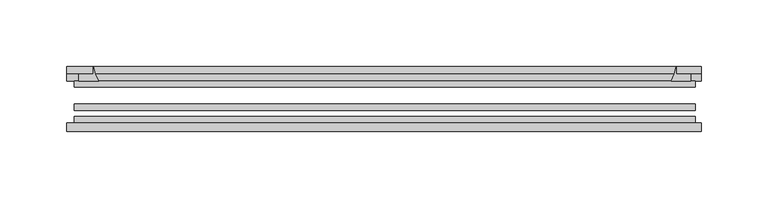
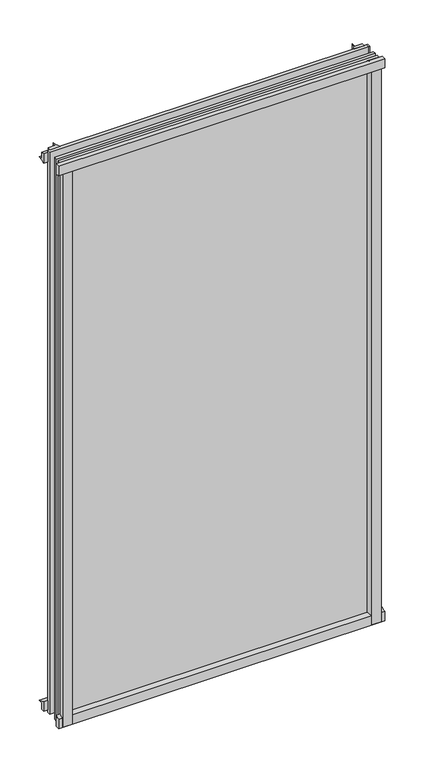
"""IFC4 building model written with IfcOpenShell, lengths in millimetres: plate geometry."""

import ifcopenshell
import ifcopenshell.guid

model = None  # the IFC model being written
_history = None  # IfcOwnerHistory: only IFC2X3 demands one
_inside = {}  # id of a spatial element -> (the spatial element, [elements in it])
_under = {}  # id of a project, library or spatial element -> (it, [spatial elements below it])
_declared = {}  # id of a project -> (the project, [libraries it declares])
_typed = {}  # id of a type object -> (the type object, [elements of that type])
_made_of = {}  # id of a material, layer set ... -> (it, [elements and type objects made of it])


def new_model(schema):
    """Start an empty IFC model of exactly this schema.

    Asked for "IFC4X3", IfcOpenShell would pick the latest addendum, in which some entities
    have other attributes; the version numbers below select the first issue.
    IFC2X3 requires an IfcOwnerHistory on every rooted entity: one is made here for all.
    """
    global model, _history
    if schema == "IFC4X3":
        model = ifcopenshell.file(schema_version=(4, 3, 0, 0))
    else:
        model = ifcopenshell.file(schema=schema)
    _inside.clear()
    _under.clear()
    _declared.clear()
    _typed.clear()
    _made_of.clear()
    _history = None
    if model.schema == "IFC2X3":
        org = make("IfcOrganization", Name="unknown")
        user = make(
            "IfcPersonAndOrganization",
            ThePerson=make("IfcPerson", FamilyName="unknown"),
            TheOrganization=org,
        )
        app = make(
            "IfcApplication",
            ApplicationDeveloper=org,
            Version="unknown",
            ApplicationFullName="unknown",
            ApplicationIdentifier="unknown",
        )
        _history = make(
            "IfcOwnerHistory",
            OwningUser=user,
            OwningApplication=app,
            ChangeAction="ADDED",
            CreationDate=0,
        )
    return model


def make(cls, **values):
    """One entity of the class cls with the attributes given. An attribute that is None is left unset."""
    return model.create_entity(
        cls, **{name: value for name, value in values.items() if value is not None}
    )


def rooted(cls, **values):
    """An entity with a GlobalId (a new one), such as an element, a storey or a relation."""
    return make(cls, GlobalId=ifcopenshell.guid.new(), OwnerHistory=_history, **values)


def si_unit(unit_type, name, prefix=None):
    """IfcSIUnit, for example si_unit("LENGTHUNIT", "METRE", prefix="MILLI")."""
    return make("IfcSIUnit", UnitType=unit_type, Prefix=prefix, Name=name)


def assignment(units):
    """IfcUnitAssignment: the units of a project."""
    return None if units is None else make("IfcUnitAssignment", Units=units)


def point(xyz):
    """IfcCartesianPoint."""
    return None if xyz is None else make("IfcCartesianPoint", Coordinates=xyz)


def direction(xyz):
    """IfcDirection."""
    return None if xyz is None else make("IfcDirection", DirectionRatios=xyz)


def frame(location, z_axis=None, x_axis=None):
    """IfcAxis2Placement3D, a coordinate frame: its origin and axes. An axis left out is left unset."""
    return make(
        "IfcAxis2Placement3D",
        Location=point(location),
        Axis=direction(z_axis),
        RefDirection=direction(x_axis),
    )


def frame_2d(location, x_axis=None):
    """IfcAxis2Placement2D, a coordinate frame in the plane: its origin and x axis."""
    return make(
        "IfcAxis2Placement2D", Location=point(location), RefDirection=direction(x_axis)
    )


def origin():
    """The frame at (0, 0, 0) with its axes left unset."""
    return frame((0.0, 0.0, 0.0))


def place(relative_to, where):
    """IfcLocalPlacement: puts the frame where relative to a parent placement (None: the world)."""
    return make(
        "IfcLocalPlacement", PlacementRelTo=relative_to, RelativePlacement=where
    )


def context(
    kind, dimensions, precision=None, world=None, true_north=None, identifier=None
):
    """IfcGeometricRepresentationContext, for example the 3D "Model" context."""
    return make(
        "IfcGeometricRepresentationContext",
        ContextIdentifier=identifier,
        ContextType=kind,
        CoordinateSpaceDimension=dimensions,
        Precision=precision,
        WorldCoordinateSystem=world,
        TrueNorth=true_north,
    )


def project(units=None, contexts=None):
    """IfcProject with its units and contexts."""
    return rooted(
        "IfcProject",
        Name="project",
        RepresentationContexts=contexts,
        UnitsInContext=assignment(units),
    )


def spatial(cls, under=None, at=None, **own):
    """A site, building, storey or space (cls), placed at a placement, below another one or the project."""
    s = rooted(cls, ObjectPlacement=at, **own)
    if under is not None:
        _under.setdefault(under.id(), (under, []))[1].append(s)
    return s


def polyline(points):
    """IfcPolyline through the points."""
    return make("IfcPolyline", Points=[point(p) for p in points])


def circle_curve(where, radius):
    """IfcCircle in the frame where."""
    return make("IfcCircle", Position=where, Radius=radius)


def trimmed(basis, trim1, trim2, sense, master):
    """IfcTrimmedCurve: the piece of a basis curve between two trims."""
    return make(
        "IfcTrimmedCurve",
        BasisCurve=basis,
        Trim1=trim1,
        Trim2=trim2,
        SenseAgreement=sense,
        MasterRepresentation=master,
    )


def segment(curve, same_sense, transition):
    """IfcCompositeCurveSegment."""
    return make(
        "IfcCompositeCurveSegment",
        Transition=transition,
        SameSense=same_sense,
        ParentCurve=curve,
    )


def composite_curve(segments, self_intersect=None):
    """IfcCompositeCurve: segments joined end to end."""
    return make("IfcCompositeCurve", Segments=segments, SelfIntersect=self_intersect)


def outline(outer, holes=None, kind="AREA"):
    """IfcArbitraryClosedProfileDef: a profile drawn as a closed curve; with holes, ...WithVoids."""
    if holes is None:
        return make("IfcArbitraryClosedProfileDef", ProfileType=kind, OuterCurve=outer)
    return make(
        "IfcArbitraryProfileDefWithVoids",
        ProfileType=kind,
        OuterCurve=outer,
        InnerCurves=holes,
    )


def extrude(swept, where, along, depth):
    """IfcExtrudedAreaSolid: the profile swept, set in the frame where, extruded along a direction by depth."""
    return make(
        "IfcExtrudedAreaSolid",
        SweptArea=swept,
        Position=where,
        ExtrudedDirection=direction(along),
        Depth=depth,
    )


def shape(context_of_items, identifier, shape_type, items):
    """IfcShapeRepresentation: the items that make up one representation, for example the "Body"."""
    return make(
        "IfcShapeRepresentation",
        ContextOfItems=context_of_items,
        RepresentationIdentifier=identifier,
        RepresentationType=shape_type,
        Items=items,
    )


def source(mapping_origin, context_of_items, identifier, shape_type, items):
    """IfcRepresentationMap: a shape defined once, which mapped items show again and again."""
    return make(
        "IfcRepresentationMap",
        MappingOrigin=mapping_origin,
        MappedRepresentation=shape(context_of_items, identifier, shape_type, items),
    )


def transform(
    local_origin,
    x_axis=None,
    y_axis=None,
    z_axis=None,
    scale=None,
    scale2=None,
    scale3=None,
    uniform=True,
):
    """IfcCartesianTransformationOperator3D, or its non-uniform kind. x_axis, y_axis, z_axis: its Axis1, 2, 3."""
    if uniform:
        return make(
            "IfcCartesianTransformationOperator3D",
            Axis1=direction(x_axis),
            Axis2=direction(y_axis),
            LocalOrigin=point(local_origin),
            Scale=scale,
            Axis3=direction(z_axis),
        )
    return make(
        "IfcCartesianTransformationOperator3DnonUniform",
        Axis1=direction(x_axis),
        Axis2=direction(y_axis),
        LocalOrigin=point(local_origin),
        Scale=scale,
        Axis3=direction(z_axis),
        Scale2=scale2,
        Scale3=scale3,
    )


def mapped(mapping_source, mapping_target):
    """IfcMappedItem: shows the shape of a source again, moved by a transform."""
    return make(
        "IfcMappedItem", MappingSource=mapping_source, MappingTarget=mapping_target
    )


def made_of(thing, what):
    """Note that an element or type object is made of a material, layer set ...; save() writes the relation."""
    if what is not None:
        _made_of.setdefault(what.id(), (what, []))[1].append(thing)
    return thing


def element(
    cls,
    number,
    at=None,
    inside=None,
    cuts=None,
    type_object=None,
    material=None,
    context=None,
    identifier="Body",
    shape_type=None,
    held_by="IfcProductDefinitionShape",
    body=None,
    shapes=None,
    **own,
):
    """One element of the class cls, such as IfcWall. Its Tag is "e" and its number.

    at: its placement. inside: the storey or other place that contains it. cuts: it is an
    opening in that element (IfcRelVoidsElement). A single representation is given by context,
    identifier, shape_type and body (its items); several are given by shapes. held_by: the class
    of the entity that holds the representations. save() writes the other relations.
    """
    e = rooted(cls, Tag="e%d" % number, ObjectPlacement=at, **own)
    if body is not None:
        shapes = [shape(context, identifier, shape_type, body)]
    if shapes is not None:
        e.Representation = make(held_by, Representations=shapes)
    if inside is not None:
        _inside.setdefault(inside.id(), (inside, []))[1].append(e)
    if cuts is not None:
        rooted(
            "IfcRelVoidsElement", RelatingBuildingElement=cuts, RelatedOpeningElement=e
        )
    if type_object is not None:
        _typed.setdefault(type_object.id(), (type_object, []))[1].append(e)
    return made_of(e, material)


def aggregate(whole, parts):
    """IfcRelAggregates: a whole, such as a stair, and the parts it consists of."""
    return rooted("IfcRelAggregates", RelatingObject=whole, RelatedObjects=parts)


def save(model, path):
    """Write the relations noted so far, then the file.

    IfcRelAggregates (storeys below a building ...), IfcRelContainedInSpatialStructure (elements
    in a storey), IfcRelDefinesByType, IfcRelAssociatesMaterial and IfcRelDeclares: one each for
    every whole, place, type object, material and project.
    """
    for whole, parts in _under.values():
        aggregate(whole, parts)
    for where, things in _inside.values():
        rooted(
            "IfcRelContainedInSpatialStructure",
            RelatedElements=things,
            RelatingStructure=where,
        )
    for kind, things in _typed.values():
        rooted("IfcRelDefinesByType", RelatedObjects=things, RelatingType=kind)
    for what, things in _made_of.values():
        rooted("IfcRelAssociatesMaterial", RelatedObjects=things, RelatingMaterial=what)
    for by, libraries in _declared.values():
        rooted("IfcRelDeclares", RelatingContext=by, RelatedDefinitions=libraries)
    model.write(path)


def plate_b2300313(model_context):
    return source(origin(), model_context, "Body", "SweptSolid", [
        extrude(outline(composite_curve([segment(polyline([(-85.1328625, 855.6813002), (-78.7828625, 855.6813002), (-78.7828625, 839.4311909)]), True, "CONTINUOUS"), segment(trimmed(circle_curve(frame_2d((-85.0581856, 830.3814356)), 11.0126179), [point((-78.7828625, 839.4311909))], [point((-85.1328625, 841.3938002))], True, "CARTESIAN"), True, "CONTINUOUS"), segment(polyline([(-85.1328625, 841.3938002), (-85.1328625, 855.6813002)]), True, "CONTINUOUS")], self_intersect=False)), frame((-239.1171875, 0.0, 0.0), z_axis=(1.0, 0.0, 0.0), x_axis=(0.0, 1.0, 0.0)), (0.0, 0.0, 1.0), 477.04375),
        extrude(outline(composite_curve([segment(polyline([(-233.3625, -78.7828625), (-216.5012844, -78.7828625)]), True, "CONTINUOUS"), segment(trimmed(circle_curve(frame_2d((-205.9388809, -86.7604812)), 13.2365693), [point((-216.5012844, -78.7828625))], [point((-219.075, -85.1328625))], True, "CARTESIAN"), True, "CONTINUOUS"), segment(polyline([(-219.075, -85.1328625), (-233.3625, -85.1328625), (-233.3625, -78.7828625)]), True, "CONTINUOUS")], self_intersect=False)), frame((0.0, 0.0, -14.2875), z_axis=(0.0, 0.0, 1.0), x_axis=(1.0, 0.0, 0.0)), (0.0, 0.0, 1.0), 869.95),
        extrude(outline(composite_curve([segment(polyline([(233.3625, -78.7828625), (233.3625, -85.1328625), (219.075, -85.1328625)]), True, "CONTINUOUS"), segment(trimmed(circle_curve(frame_2d((205.9388809, -86.7604812)), 13.2365693), [point((219.075, -85.1328625))], [point((216.5012844, -78.7828625))], True, "CARTESIAN"), True, "CONTINUOUS"), segment(polyline([(216.5012844, -78.7828625), (233.3625, -78.7828625)]), True, "CONTINUOUS")], self_intersect=False)), frame((0.0, 0.0, -14.2875), z_axis=(0.0, 0.0, 1.0), x_axis=(1.0, 0.0, 0.0)), (0.0, 0.0, 1.0), 869.95),
        extrude(outline(composite_curve([segment(polyline([(-47.1852625, -10.4712201), (-47.1852625, 3.9588469)]), True, "CONTINUOUS"), segment(trimmed(circle_curve(frame_2d((-30.6824422, 32.267054)), 32.7673262), [point((-47.1852625, 3.9588469))], [point((-36.3503395, -0.00635))], True, "CARTESIAN"), True, "CONTINUOUS"), segment(polyline([(-36.3503395, -0.00635), (-42.2830625, -0.00635), (-42.2830625, -10.4712201), (-47.1852625, -10.4712201)]), True, "CONTINUOUS")], self_intersect=False)), frame((-239.1171875, 0.0, 0.0), z_axis=(1.0, 0.0, 0.0), x_axis=(0.0, 1.0, 0.0)), (0.0, 0.0, 1.0), 477.04375),
        extrude(outline(composite_curve([segment(polyline([(-78.7828625, -14.2875), (-85.1328625, -14.2875), (-85.1328625, -0.0127)]), True, "CONTINUOUS"), segment(trimmed(circle_curve(frame_2d((-86.7604812, 13.1234191)), 13.2365693), [point((-85.1328625, -0.0127))], [point((-78.7828625, 2.5610156))], True, "CARTESIAN"), True, "CONTINUOUS"), segment(polyline([(-78.7828625, 2.5610156), (-78.7828625, -14.2875)]), True, "CONTINUOUS")], self_intersect=False)), frame((-239.1171875, 0.0, 0.0), z_axis=(1.0, 0.0, 0.0), x_axis=(0.0, 1.0, 0.0)), (0.0, 0.0, 1.0), 477.04375),
        extrude(outline(composite_curve([segment(polyline([(-47.1852625, 837.4034531), (-47.1852625, 852.0752564), (-42.2830625, 852.0752564), (-42.2830625, 841.375), (-36.3140625, 841.375)]), True, "CONTINUOUS"), segment(trimmed(circle_curve(frame_2d((-30.6824422, 809.095246)), 32.7673262), [point((-36.3140625, 841.375))], [point((-47.1852625, 837.4034531))], True, "CARTESIAN"), True, "CONTINUOUS")], self_intersect=False)), frame((-239.1171875, 0.0, 0.0), z_axis=(1.0, 0.0, 0.0), x_axis=(0.0, 1.0, 0.0)), (0.0, 0.0, 1.0), 477.04375),
        extrude(outline(composite_curve([segment(trimmed(circle_curve(frame_2d((186.795246, -30.6824422)), 32.7673262), [point((215.1034531, -47.1852625))], [point((219.075, -36.3140625))], True, "CARTESIAN"), True, "CONTINUOUS"), segment(polyline([(219.075, -36.3140625), (219.075, -42.2830625), (229.7753653, -42.2830625), (229.7753653, -47.1852625), (215.1034531, -47.1852625)]), True, "CONTINUOUS")], self_intersect=False)), frame((0.0, 0.0, -14.2875), z_axis=(0.0, 0.0, 1.0), x_axis=(1.0, 0.0, 0.0)), (0.0, 0.0, 1.0), 869.95),
        extrude(outline(composite_curve([segment(polyline([(-215.1034531, -47.1852625), (-229.7702092, -47.1852625), (-229.7702092, -42.2830625), (-219.075, -42.2830625), (-219.075, -36.3140625)]), True, "CONTINUOUS"), segment(trimmed(circle_curve(frame_2d((-186.795246, -30.6824422)), 32.7673262), [point((-219.075, -36.3140625))], [point((-215.1034531, -47.1852625))], True, "CARTESIAN"), True, "CONTINUOUS")], self_intersect=False)), frame((0.0, 0.0, -14.2875), z_axis=(0.0, 0.0, 1.0), x_axis=(1.0, 0.0, 0.0)), (0.0, 0.0, 1.0), 869.95),
        extrude(outline(polyline([(233.3625, -64.6604625), (233.3625, -69.4356625), (-233.3625, -69.4356625), (-233.3625, -64.6604625), (233.3625, -64.6604625)])), frame((0.0, 0.0, -14.2875), z_axis=(0.0, 0.0, 1.0), x_axis=(1.0, 0.0, 0.0)), (0.0, 0.0, 1.0), 869.95),
        extrude(outline(polyline([(-233.3625, -78.7828625), (-233.3625, -74.0076625), (233.3625, -74.0076625), (233.3625, -78.7828625), (-233.3625, -78.7828625)])), frame((0.0, 0.0, -14.2875), z_axis=(0.0, 0.0, 1.0), x_axis=(1.0, 0.0, 0.0)), (0.0, 0.0, 1.0), 869.95),
        extrude(outline(polyline([(-233.3625, -47.1852625), (233.3625, -47.1852625), (233.3625, -51.9604625), (-233.3625, -51.9604625), (-233.3625, -47.1852625)])), frame((0.0, 0.0, -14.2875), z_axis=(0.0, 0.0, 1.0), x_axis=(1.0, 0.0, 0.0)), (0.0, 0.0, 1.0), 869.95),
    ])


if __name__ == "__main__":
    model = new_model("IFC4")
    model_context = context("Model", 3, world=origin())
    ifc_project = project(units=[si_unit("LENGTHUNIT", "METRE", prefix="MILLI")], contexts=[model_context])
    site = spatial("IfcSite", under=ifc_project)
    building = spatial("IfcBuilding", under=site)
    placement = place(None, origin())
    plate_shape = plate_b2300313(model_context)
    element("IfcPlate", 1, at=placement, inside=building, context=model_context, shape_type="MappedRepresentation", body=[
        mapped(plate_shape, transform((0.0, 0.0, 0.0), x_axis=(1.0, 0.0, 0.0), y_axis=(0.0, 1.0, 0.0), z_axis=(0.0, 0.0, 1.0))),
    ])
    save(model, "model.ifc")
